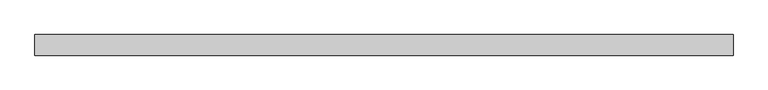
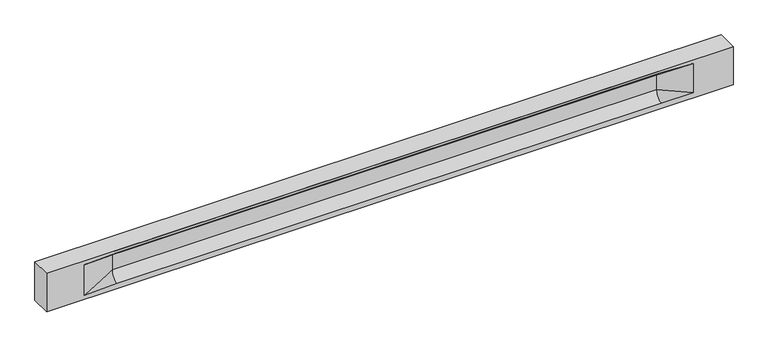
"""IFC4 building model written with IfcOpenShell, lengths in millimetres: beam geometry."""

import ifcopenshell
import ifcopenshell.guid

model = None  # the IFC model being written
_history = None  # IfcOwnerHistory: only IFC2X3 demands one
_inside = {}  # id of a spatial element -> (the spatial element, [elements in it])
_under = {}  # id of a project, library or spatial element -> (it, [spatial elements below it])
_declared = {}  # id of a project -> (the project, [libraries it declares])
_typed = {}  # id of a type object -> (the type object, [elements of that type])
_made_of = {}  # id of a material, layer set ... -> (it, [elements and type objects made of it])


def new_model(schema):
    """Start an empty IFC model of exactly this schema.

    Asked for "IFC4X3", IfcOpenShell would pick the latest addendum, in which some entities
    have other attributes; the version numbers below select the first issue.
    IFC2X3 requires an IfcOwnerHistory on every rooted entity: one is made here for all.
    """
    global model, _history
    if schema == "IFC4X3":
        model = ifcopenshell.file(schema_version=(4, 3, 0, 0))
    else:
        model = ifcopenshell.file(schema=schema)
    _inside.clear()
    _under.clear()
    _declared.clear()
    _typed.clear()
    _made_of.clear()
    _history = None
    if model.schema == "IFC2X3":
        org = make("IfcOrganization", Name="unknown")
        user = make(
            "IfcPersonAndOrganization",
            ThePerson=make("IfcPerson", FamilyName="unknown"),
            TheOrganization=org,
        )
        app = make(
            "IfcApplication",
            ApplicationDeveloper=org,
            Version="unknown",
            ApplicationFullName="unknown",
            ApplicationIdentifier="unknown",
        )
        _history = make(
            "IfcOwnerHistory",
            OwningUser=user,
            OwningApplication=app,
            ChangeAction="ADDED",
            CreationDate=0,
        )
    return model


def make(cls, **values):
    """One entity of the class cls with the attributes given. An attribute that is None is left unset."""
    return model.create_entity(
        cls, **{name: value for name, value in values.items() if value is not None}
    )


def rooted(cls, **values):
    """An entity with a GlobalId (a new one), such as an element, a storey or a relation."""
    return make(cls, GlobalId=ifcopenshell.guid.new(), OwnerHistory=_history, **values)


def si_unit(unit_type, name, prefix=None):
    """IfcSIUnit, for example si_unit("LENGTHUNIT", "METRE", prefix="MILLI")."""
    return make("IfcSIUnit", UnitType=unit_type, Prefix=prefix, Name=name)


def assignment(units):
    """IfcUnitAssignment: the units of a project."""
    return None if units is None else make("IfcUnitAssignment", Units=units)


def point(xyz):
    """IfcCartesianPoint."""
    return None if xyz is None else make("IfcCartesianPoint", Coordinates=xyz)


def direction(xyz):
    """IfcDirection."""
    return None if xyz is None else make("IfcDirection", DirectionRatios=xyz)


def frame(location, z_axis=None, x_axis=None):
    """IfcAxis2Placement3D, a coordinate frame: its origin and axes. An axis left out is left unset."""
    return make(
        "IfcAxis2Placement3D",
        Location=point(location),
        Axis=direction(z_axis),
        RefDirection=direction(x_axis),
    )


def origin():
    """The frame at (0, 0, 0) with its axes left unset."""
    return frame((0.0, 0.0, 0.0))


def place(relative_to, where):
    """IfcLocalPlacement: puts the frame where relative to a parent placement (None: the world)."""
    return make(
        "IfcLocalPlacement", PlacementRelTo=relative_to, RelativePlacement=where
    )


def context(
    kind, dimensions, precision=None, world=None, true_north=None, identifier=None
):
    """IfcGeometricRepresentationContext, for example the 3D "Model" context."""
    return make(
        "IfcGeometricRepresentationContext",
        ContextIdentifier=identifier,
        ContextType=kind,
        CoordinateSpaceDimension=dimensions,
        Precision=precision,
        WorldCoordinateSystem=world,
        TrueNorth=true_north,
    )


def project(units=None, contexts=None):
    """IfcProject with its units and contexts."""
    return rooted(
        "IfcProject",
        Name="project",
        RepresentationContexts=contexts,
        UnitsInContext=assignment(units),
    )


def spatial(cls, under=None, at=None, **own):
    """A site, building, storey or space (cls), placed at a placement, below another one or the project."""
    s = rooted(cls, ObjectPlacement=at, **own)
    if under is not None:
        _under.setdefault(under.id(), (under, []))[1].append(s)
    return s


def polyline(points):
    """IfcPolyline through the points."""
    return make("IfcPolyline", Points=[point(p) for p in points])


def circle_curve(where, radius):
    """IfcCircle in the frame where."""
    return make("IfcCircle", Position=where, Radius=radius)


def shape(context_of_items, identifier, shape_type, items):
    """IfcShapeRepresentation: the items that make up one representation, for example the "Body"."""
    return make(
        "IfcShapeRepresentation",
        ContextOfItems=context_of_items,
        RepresentationIdentifier=identifier,
        RepresentationType=shape_type,
        Items=items,
    )


def source(mapping_origin, context_of_items, identifier, shape_type, items):
    """IfcRepresentationMap: a shape defined once, which mapped items show again and again."""
    return make(
        "IfcRepresentationMap",
        MappingOrigin=mapping_origin,
        MappedRepresentation=shape(context_of_items, identifier, shape_type, items),
    )


def transform(
    local_origin,
    x_axis=None,
    y_axis=None,
    z_axis=None,
    scale=None,
    scale2=None,
    scale3=None,
    uniform=True,
):
    """IfcCartesianTransformationOperator3D, or its non-uniform kind. x_axis, y_axis, z_axis: its Axis1, 2, 3."""
    if uniform:
        return make(
            "IfcCartesianTransformationOperator3D",
            Axis1=direction(x_axis),
            Axis2=direction(y_axis),
            LocalOrigin=point(local_origin),
            Scale=scale,
            Axis3=direction(z_axis),
        )
    return make(
        "IfcCartesianTransformationOperator3DnonUniform",
        Axis1=direction(x_axis),
        Axis2=direction(y_axis),
        LocalOrigin=point(local_origin),
        Scale=scale,
        Axis3=direction(z_axis),
        Scale2=scale2,
        Scale3=scale3,
    )


def mapped(mapping_source, mapping_target):
    """IfcMappedItem: shows the shape of a source again, moved by a transform."""
    return make(
        "IfcMappedItem", MappingSource=mapping_source, MappingTarget=mapping_target
    )


def made_of(thing, what):
    """Note that an element or type object is made of a material, layer set ...; save() writes the relation."""
    if what is not None:
        _made_of.setdefault(what.id(), (what, []))[1].append(thing)
    return thing


def element(
    cls,
    number,
    at=None,
    inside=None,
    cuts=None,
    type_object=None,
    material=None,
    context=None,
    identifier="Body",
    shape_type=None,
    held_by="IfcProductDefinitionShape",
    body=None,
    shapes=None,
    **own,
):
    """One element of the class cls, such as IfcWall. Its Tag is "e" and its number.

    at: its placement. inside: the storey or other place that contains it. cuts: it is an
    opening in that element (IfcRelVoidsElement). A single representation is given by context,
    identifier, shape_type and body (its items); several are given by shapes. held_by: the class
    of the entity that holds the representations. save() writes the other relations.
    """
    e = rooted(cls, Tag="e%d" % number, ObjectPlacement=at, **own)
    if body is not None:
        shapes = [shape(context, identifier, shape_type, body)]
    if shapes is not None:
        e.Representation = make(held_by, Representations=shapes)
    if inside is not None:
        _inside.setdefault(inside.id(), (inside, []))[1].append(e)
    if cuts is not None:
        rooted(
            "IfcRelVoidsElement", RelatingBuildingElement=cuts, RelatedOpeningElement=e
        )
    if type_object is not None:
        _typed.setdefault(type_object.id(), (type_object, []))[1].append(e)
    return made_of(e, material)


def aggregate(whole, parts):
    """IfcRelAggregates: a whole, such as a stair, and the parts it consists of."""
    return rooted("IfcRelAggregates", RelatingObject=whole, RelatedObjects=parts)


def save(model, path):
    """Write the relations noted so far, then the file.

    IfcRelAggregates (storeys below a building ...), IfcRelContainedInSpatialStructure (elements
    in a storey), IfcRelDefinesByType, IfcRelAssociatesMaterial and IfcRelDeclares: one each for
    every whole, place, type object, material and project.
    """
    for whole, parts in _under.values():
        aggregate(whole, parts)
    for where, things in _inside.values():
        rooted(
            "IfcRelContainedInSpatialStructure",
            RelatedElements=things,
            RelatingStructure=where,
        )
    for kind, things in _typed.values():
        rooted("IfcRelDefinesByType", RelatedObjects=things, RelatingType=kind)
    for what, things in _made_of.values():
        rooted("IfcRelAssociatesMaterial", RelatedObjects=things, RelatingMaterial=what)
    for by, libraries in _declared.values():
        rooted("IfcRelDeclares", RelatingContext=by, RelatedDefinitions=libraries)
    model.write(path)


def plane_surface(at):
    """IfcPlane: the flat surface through the origin of the frame at, square to its z axis."""
    return make("IfcPlane", Position=at)


def revolved_surface(curve, axis_point, axis_direction):
    """IfcSurfaceOfRevolution: the curve turned about the line through axis_point along axis_direction."""
    return make(
        "IfcSurfaceOfRevolution",
        SweptCurve=make("IfcArbitraryOpenProfileDef", ProfileType="CURVE", Curve=curve),
        AxisPosition=make("IfcAxis1Placement", Location=point(axis_point), Axis=direction(axis_direction)),
    )


def spline_surface(u_degree, v_degree, points, u_multiplicities, v_multiplicities, u_knots, v_knots, weights=None):
    """IfcBSplineSurfaceWithKnots; with weights, IfcRationalBSplineSurfaceWithKnots. points: one row for each step in u."""
    own = dict(
        UDegree=u_degree,
        VDegree=v_degree,
        ControlPointsList=[[point(p) for p in row] for row in points],
        SurfaceForm="UNSPECIFIED",
        UClosed=False,
        VClosed=False,
        SelfIntersect=False,
        UMultiplicities=u_multiplicities,
        VMultiplicities=v_multiplicities,
        UKnots=u_knots,
        VKnots=v_knots,
        KnotSpec="UNSPECIFIED",
    )
    if weights is None:
        return make("IfcBSplineSurfaceWithKnots", **own)
    return make("IfcRationalBSplineSurfaceWithKnots", WeightsData=weights, **own)


def advanced_brep(points, edges, surfaces, faces):
    """IfcAdvancedBrep: a solid bounded by faces that lie on surfaces and meet in shared edges.

    An edge is (start, end): straight between two places in points (the first is 0);
    or (start, end, curve); or (start, end, curve, False) where it runs against its curve.
    A face is (place in surfaces, loops), or (place, loops, False) where it looks against
    its surface's normal. A loop lists edges by number (the first is 1), with a minus sign
    where the edge is run from its end to its start. The first loop is the outer one.
    """
    corners = [point(p) for p in points]
    vertices = [make("IfcVertexPoint", VertexGeometry=c) for c in corners]
    made = []
    for start, end, *more in edges:
        made.append(
            make(
                "IfcEdgeCurve",
                EdgeStart=vertices[start],
                EdgeEnd=vertices[end],
                EdgeGeometry=more[0] if more else make("IfcPolyline", Points=[corners[start], corners[end]]),
                SameSense=more[1] if len(more) > 1 else True,
            )
        )
    hull = []
    for where, loops, *sense in faces:
        bounds = []
        for j, loop in enumerate(loops):
            ring = [make("IfcOrientedEdge", EdgeElement=made[abs(k) - 1], Orientation=k > 0) for k in loop]
            bounds.append(
                make(
                    "IfcFaceOuterBound" if j == 0 else "IfcFaceBound",
                    Bound=make("IfcEdgeLoop", EdgeList=ring),
                    Orientation=True,
                )
            )
        hull.append(make("IfcAdvancedFace", Bounds=bounds, FaceSurface=surfaces[where], SameSense=sense[0] if sense else True))
    return make("IfcAdvancedBrep", Outer=make("IfcClosedShell", CfsFaces=hull))


def beam_cdb6e5c6(model_context):
    return source(origin(), model_context, "Body", "AdvancedBrep", [
        advanced_brep(
        [(8451.0, -250.0, 500.0), (8451.0, -250.0, -500.0), (8451.0, 250.0, -500.0), (8451.0, 250.0, 500.0), (-8451.0, -250.0, 500.0), (-8451.0, -250.0, -500.0), (7476.0, -250.0, -362.0), (6676.0, -250.0, -360.0), (-6721.0, -250.0, -360.0), (-7521.0, -250.0, -400.0), (-7521.0, -250.0, 400.0), (-6721.0, -250.0, 435.0), (6676.0, -250.0, 435.0), (7476.0, -250.0, 400.0), (-8451.0, 250.0, -500.0), (-8451.0, 250.0, 500.0), (7476.0, 250.0, 400.0), (6676.0, 250.0, 435.0), (-6721.0, 250.0, 435.0), (-7521.0, 250.0, 400.0), (-7521.0, 250.0, -400.0), (-6721.0, 250.0, -360.0), (6676.0, 250.0, -360.0), (7476.0, 250.0, -362.0), (6676.0, 155.0, 405.0), (-6721.0, 155.0, 405.0), (6676.0, 60.0, 262.777021), (-6721.0, 60.0, 262.777021), (6676.0, 60.0, -120.0), (-6721.0, 60.0, -120.0), (6676.0, -60.0, -120.0), (-6721.0, -60.0, -120.0), (6676.0, -60.0, 262.777021), (-6721.0, -60.0, 262.777021), (6676.0, -155.0, 405.0), (-6721.0, -155.0, 405.0)],
        [
            (0, 1),
            (1, 2),
            (2, 3),
            (3, 0),
            (0, 4),
            (4, 5),
            (5, 1),
            (6, 7),
            (7, 8),
            (8, 9),
            (9, 10),
            (10, 11),
            (11, 12),
            (12, 13),
            (13, 6),
            (5, 14),
            (14, 2),
            (14, 15),
            (15, 3),
            (16, 17),
            (17, 18),
            (18, 19),
            (19, 20),
            (20, 21),
            (21, 22),
            (22, 23),
            (23, 16),
            (15, 4),
            (17, 24),
            (24, 25),
            (25, 18),
            (24, 26, circle_curve(frame((6676.0, 213.9598725, 262.777021), z_axis=(1.0, 0.0, 0.0), x_axis=(0.0, 1.0, 0.0)), 153.9598725)),
            (26, 27),
            (27, 25, circle_curve(frame((-6721.0, 213.9598725, 262.777021), z_axis=(-1.0, 0.0, 0.0), x_axis=(0.0, 1.0, 0.0)), 153.9598725)),
            (26, 28),
            (28, 29),
            (29, 27),
            (28, 22, circle_curve(frame((6676.0, 306.5789474, -120.0), z_axis=(1.0, 0.0, 0.0), x_axis=(0.0, 1.0, 0.0)), 246.5789474)),
            (21, 29, circle_curve(frame((-6721.0, 306.5789474, -120.0), z_axis=(-1.0, 0.0, 0.0), x_axis=(0.0, 1.0, 0.0)), 246.5789474)),
            (7, 30, circle_curve(frame((6676.0, -306.5789474, -120.0), z_axis=(1.0, 0.0, 0.0), x_axis=(0.0, 1.0, 0.0)), 246.5789474)),
            (30, 31),
            (31, 8, circle_curve(frame((-6721.0, -306.5789474, -120.0), z_axis=(-1.0, 0.0, 0.0), x_axis=(0.0, 1.0, 0.0)), 246.5789474)),
            (30, 32),
            (32, 33),
            (33, 31),
            (32, 34, circle_curve(frame((6676.0, -213.9598725, 262.777021), z_axis=(1.0, 0.0, 0.0), x_axis=(0.0, 1.0, 0.0)), 153.9598725)),
            (34, 35),
            (35, 33, circle_curve(frame((-6721.0, -213.9598725, 262.777021), z_axis=(-1.0, 0.0, 0.0), x_axis=(0.0, 1.0, 0.0)), 153.9598725)),
            (34, 12),
            (11, 35),
            (27, 19),
            (19, 25),
            (10, 35),
            (10, 33),
            (9, 31),
            (20, 29),
            (34, 13),
            (32, 13),
            (30, 6),
            (28, 23),
            (26, 16),
            (24, 16),
        ],
        [
            plane_surface(frame((8451.0, 0.0, 0.0), z_axis=(1.0, 0.0, 0.0), x_axis=(0.0, 0.0, 1.0))),
            plane_surface(frame((8451.0, -250.0, 500.0), z_axis=(0.0, -1.0, 0.0), x_axis=(-1.0, 0.0, 0.0))),
            plane_surface(frame((8451.0, -250.0, -500.0), z_axis=(0.0, 0.0, -1.0), x_axis=(-1.0, 0.0, 0.0))),
            plane_surface(frame((8451.0, 250.0, -500.0), z_axis=(0.0, 1.0, 0.0), x_axis=(-1.0, 0.0, 0.0))),
            plane_surface(frame((8451.0, 250.0, 500.0), z_axis=(0.0, 0.0, 1.0), x_axis=(-1.0, 0.0, 0.0))),
            plane_surface(frame((-6721.0, 250.0, 435.0), z_axis=(0.0, 0.30113136793710954, -0.9535826651341378), x_axis=(1.0, 0.0, 0.0))),
            revolved_surface(polyline([(6676.0, 367.919745, 262.777021), (-6721.0, 367.919745, 262.777021)]), (-6721.0, 213.9598725, 262.777021), (1.0, 0.0, 0.0)),
            plane_surface(frame((-6721.0, 60.0, 262.777021), z_axis=(0.0, 1.0, 0.0), x_axis=(1.0, 0.0, 0.0))),
            revolved_surface(polyline([(6676.0, 553.1578948, -120.0), (-6721.0, 553.1578948, -120.0)]), (-6721.0, 306.5789474, -120.0), (1.0, 0.0, 0.0)),
            revolved_surface(polyline([(6676.0, -60.0, -120.0), (-6721.0, -60.0, -120.0)]), (-6721.0, -306.5789474, -120.0), (1.0, 0.0, 0.0)),
            plane_surface(frame((-6721.0, -60.0, -120.0), z_axis=(0.0, -1.0, 0.0), x_axis=(1.0, 0.0, 0.0))),
            revolved_surface(polyline([(6676.0, -60.0, 262.777021), (-6721.0, -60.0, 262.777021)]), (-6721.0, -213.9598725, 262.777021), (1.0, 0.0, 0.0)),
            plane_surface(frame((-6721.0, -155.0, 405.0), z_axis=(0.0, -0.30113136793710693, -0.9535826651341387), x_axis=(1.0, 0.0, 0.0))),
            spline_surface(2, 1, [[(-7521.0, 250.0, 400.0), (-6721.0, 60.0, 262.777021)], [(-7521.0, 250.0, 400.0), (-6721.0, 59.99999995452379, 365.6168572954922)], [(-7521.0, 250.0, 400.0), (-6721.0, 155.0, 405.0)]], [3, 3], [2, 2], [0.0, 1.0], [0.0, 1.0], weights=[[1.0, 1.0], [0.8315515921160737, 0.8315515921160737], [1.0, 1.0]]),
            plane_surface(frame((-7521.0, 250.0, 400.0), z_axis=(0.041682982855687487, 0.30086965068766386, -0.9527538938442265), x_axis=(0.0, 0.9535826651341378, 0.30113136793710954))),
            plane_surface(frame((-7521.0, -250.0, 400.0), z_axis=(0.041682982855687514, -0.30086965068766125, -0.9527538938442274), x_axis=(0.0, 0.9535826651341387, -0.30113136793710693))),
            spline_surface(2, 1, [[(-7521.0, -250.0, 400.0), (-6721.0, -155.0, 405.0)], [(-7521.0, -250.0, 400.0), (-6721.0, -60.00000008030692, 365.6168572114734)], [(-7521.0, -250.0, 400.0), (-6721.0, -60.0, 262.777021)]], [3, 3], [2, 2], [0.0, 1.0], [0.0, 1.0], weights=[[1.0, 1.0], [0.8315515924557569, 0.8315515924557569], [1.0, 1.0]]),
            plane_surface(frame((-7521.0, -250.0, 0.0), z_axis=(0.23107243079589818, -0.97293655071956, 0.0), x_axis=(0.0, 0.0, -1.0))),
            spline_surface(2, 1, [[(-7521.0, -250.0, -400.0), (-6721.0, -60.0, -120.0)], [(-7521.0, -250.0, -400.0), (-6721.0, -59.99999998020837, -315.20833333333337)], [(-7521.0, -250.0, -400.0), (-6721.0, -250.0, -360.0)]], [3, 3], [2, 2], [0.0, 1.0], [0.0, 1.0], weights=[[1.0, 1.0], [0.7840458244617614, 0.7840458244617614], [1.0, 1.0]]),
            spline_surface(2, 1, [[(-7521.0, 250.0, -400.0), (-6721.0, 250.0, -360.0)], [(-7521.0, 250.0, -400.0), (-6721.0, 60.00000002887427, -315.20833329480604)], [(-7521.0, 250.0, -400.0), (-6721.0, 60.0, -120.0)]], [3, 3], [2, 2], [0.0, 1.0], [0.0, 1.0], weights=[[1.0, 1.0], [0.7840458245391329, 0.7840458245391329], [1.0, 1.0]]),
            plane_surface(frame((-7521.0, 250.0, 0.0), z_axis=(0.23107243079589385, 0.972936550719561, 0.0), x_axis=(0.0, 0.0, 1.0))),
            plane_surface(frame((-8451.0, 0.0, 0.0), z_axis=(-1.0, 0.0, 0.0), x_axis=(0.0, 0.0, 1.0))),
            plane_surface(frame((6676.0, -202.5, 420.0), z_axis=(-0.04168298285568735, -0.30086965068766125, -0.9527538938442274), x_axis=(0.0, 0.9535826651341387, -0.30113136793710693))),
            spline_surface(2, 1, [[(6676.0, -155.0, 405.0), (7476.0, -250.0, 400.0)], [(6676.0, -60.00000008030692, 365.6168572114734), (7476.0, -250.0, 400.0)], [(6676.0, -60.0, 262.777021), (7476.0, -250.0, 400.0)]], [3, 3], [2, 2], [0.0, 1.0], [0.0, 1.0], weights=[[1.0, 1.0], [0.8315515924557569, 0.8315515924557569], [1.0, 1.0]]),
            plane_surface(frame((6676.0, -60.0, 71.3885105), z_axis=(-0.23107243079589673, -0.9729365507195603, 0.0), x_axis=(0.0, 0.0, -1.0))),
            spline_surface(2, 1, [[(6676.0, -60.0, -120.0), (7476.0, -250.0, -362.0)], [(6676.0, -59.99999998020837, -315.20833333333337), (7476.0, -250.0, -362.0)], [(6676.0, -250.0, -360.0), (7476.0, -250.0, -362.0)]], [3, 3], [2, 2], [0.0, 1.0], [0.0, 1.0], weights=[[1.0, 1.0], [0.7840458244617614, 0.7840458244617614], [1.0, 1.0]]),
            spline_surface(2, 1, [[(6676.0, 250.0, -360.0), (7476.0, 250.0, -362.0)], [(6676.0, 60.00000002887427, -315.20833329480604), (7476.0, 250.0, -362.0)], [(6676.0, 60.0, -120.0), (7476.0, 250.0, -362.0)]], [3, 3], [2, 2], [0.0, 1.0], [0.0, 1.0], weights=[[1.0, 1.0], [0.7840458245391329, 0.7840458245391329], [1.0, 1.0]]),
            plane_surface(frame((6676.0, 60.0, 71.3885105), z_axis=(-0.23107243079589032, 0.9729365507195619, 0.0), x_axis=(0.0, 0.0, 1.0))),
            spline_surface(2, 1, [[(6676.0, 60.0, 262.777021), (7476.0, 250.0, 400.0)], [(6676.0, 59.99999995452379, 365.6168572954922), (7476.0, 250.0, 400.0)], [(6676.0, 155.0, 405.0), (7476.0, 250.0, 400.0)]], [3, 3], [2, 2], [0.0, 1.0], [0.0, 1.0], weights=[[1.0, 1.0], [0.8315515921160737, 0.8315515921160737], [1.0, 1.0]]),
            plane_surface(frame((6676.0, 202.5, 420.0), z_axis=(-0.041682982855686605, 0.30086965068766386, -0.9527538938442265), x_axis=(0.0, 0.9535826651341378, 0.30113136793710954))),
        ],
        [
            (0, [[1, 2, 3, 4]]),
            (1, [[-1, 5, 6, 7], [8, 9, 10, 11, 12, 13, 14, 15]]),
            (2, [[-2, -7, 16, 17]]),
            (3, [[-3, -17, 18, 19], [20, 21, 22, 23, 24, 25, 26, 27]]),
            (4, [[-5, -4, -19, 28]]),
            (5, [[-21, 29, 30, 31]]),
            (6, [[-30, 32, 33, 34]]),
            (7, [[-33, 35, 36, 37]]),
            (8, [[-36, 38, -25, 39]]),
            (9, [[-9, 40, 41, 42]]),
            (10, [[-41, 43, 44, 45]]),
            (11, [[-44, 46, 47, 48]]),
            (12, [[-47, 49, -13, 50]]),
            (13, [[51, 52, -34]]),
            (14, [[-52, -22, -31]]),
            (15, [[-12, 53, -50]]),
            (16, [[-53, 54, -48]]),
            (17, [[-54, -11, 55, -45]]),
            (18, [[-55, -10, -42]]),
            (19, [[-24, 56, -39]]),
            (20, [[-51, -37, -56, -23]]),
            (21, [[-28, -18, -16, -6]]),
            (22, [[-14, -49, 57]]),
            (23, [[-57, -46, 58]]),
            (24, [[-58, -43, 59, -15]]),
            (25, [[-59, -40, -8]]),
            (26, [[-26, -38, 60]]),
            (27, [[-60, -35, 61, -27]]),
            (28, [[-61, -32, 62]]),
            (29, [[-62, -29, -20]]),
        ],
    ),
    ])


if __name__ == "__main__":
    model = new_model("IFC4")
    model_context = context("Model", 3, world=origin())
    ifc_project = project(units=[si_unit("LENGTHUNIT", "METRE", prefix="MILLI")], contexts=[model_context])
    site = spatial("IfcSite", under=ifc_project)
    building = spatial("IfcBuilding", under=site)
    placement = place(None, origin())
    beam_shape = beam_cdb6e5c6(model_context)
    element("IfcBeam", 1, at=placement, inside=building, context=model_context, shape_type="MappedRepresentation", body=[
        mapped(beam_shape, transform((0.0, 0.0, 0.0), x_axis=(1.0, 0.0, 0.0), y_axis=(0.0, 1.0, 0.0), z_axis=(0.0, 0.0, 1.0))),
    ])
    save(model, "model.ifc")
